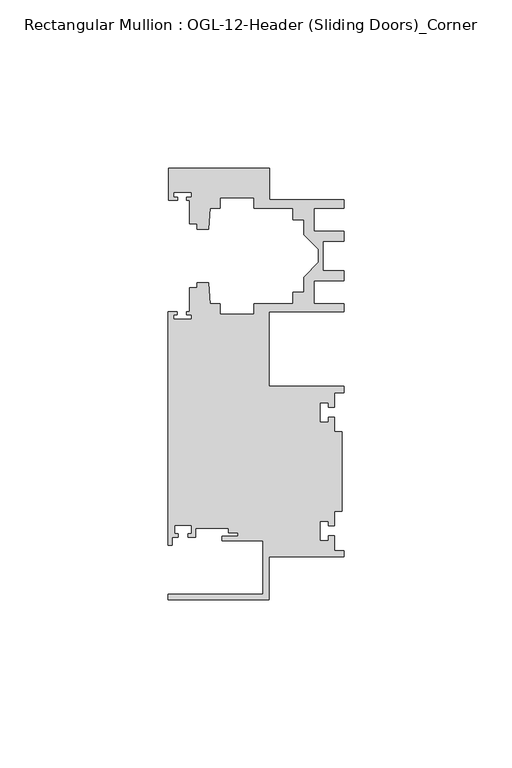
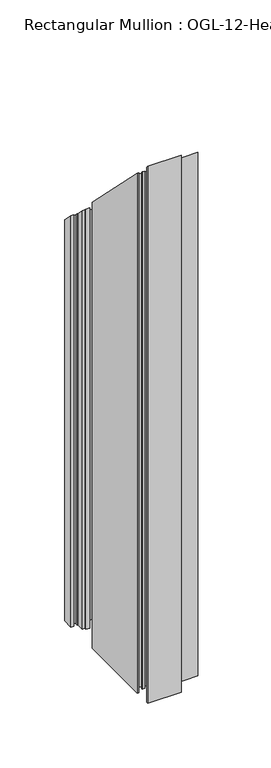
"""IFC4 building model written with IfcOpenShell, lengths in millimetres: member geometry, Rectangular Mullion : OGL-12-Header (Sliding Doors)_Corner."""

from ifc_helpers import new_model, si_unit, origin, place, context, project, spatial, faceted_brep, source, transform, mapped, element, save


def rectangular_mullion_ogl_12_header_sliding_doors_corner_65cd46e0(model_context):
    return source(origin(), model_context, "Body", "Brep", [
        faceted_brep([(0.0, 4.7625, -499.3753122), (-22.2332898, 4.7625, -499.3753122), (-22.2332898, -7.9371792, -499.3753122), (-52.3921824, -7.9371792, -499.3753122), (-52.3921824, -6.350016, -499.3753122), (-24.0747898, -6.350016, -499.3753122), (-24.0747898, 9.5708266, -499.3753122), (-36.2104247, 9.5708266, -499.3753122), (-36.2104247, 10.8618293, -499.3753122), (-31.5444935, 10.8618293, -499.3753122), (-31.5444935, 12.0114739, -499.3753122), (-34.2833684, 12.0114739, -499.3753122), (-34.2833684, 13.2983325, -499.3753122), (-44.1094055, 13.2983325, -499.3753122), (-44.1094055, 10.6800725, -499.3753122), (-46.3304245, 10.6800725, -499.3753122), (-46.3304245, 11.6873375, -499.3753122), (-45.359407, 11.6873375, -499.3753122), (-45.359407, 14.1873325, -499.3753122), (-50.359397, 14.1873325, -499.3753122), (-50.359397, 11.6873375, -499.3753122), (-49.3568347, 11.6873375, -499.3753122), (-49.3568347, 10.6800725, -499.3753122), (-51.1362531, 10.6800725, -499.3753122), (-51.1362531, 8.1914024, -499.3753122), (-52.3921824, 8.1914024, -499.3753122), (-52.3921824, 77.745996, -499.3753122), (-49.5910554, 77.745996, -499.3753122), (-49.5910554, 76.8721046, -499.3753122), (-50.6220715, 76.8721046, -499.3753122), (-50.6220715, 75.4943149, -499.3753122), (-45.3220715, 75.4943149, -499.3753122), (-45.3220715, 76.8721046, -499.3753122), (-46.769305, 76.8721046, -499.3753122), (-46.769305, 77.745996, -499.3753122), (-45.9710366, 77.745996, -499.3753122), (-45.9710366, 84.8247994, -499.3753122), (-43.7582575, 84.8247994, -499.3753122), (-43.7582575, 86.375852, -499.3753122), (-40.3395523, 86.375852, -499.3753122), (-39.7961967, 80.1652691, -499.3753122), (-36.8419772, 80.1652691, -499.3753122), (-36.8419772, 77.000852, -499.3753122), (-26.7462575, 77.000852, -499.3753122), (-26.7462575, 80.175852, -499.3753122), (-15.0768765, 80.175852, -499.3753122), (-15.0768765, 83.575852, -499.3753122), (-11.8582575, 83.575852, -499.3753122), (-11.8582575, 88.0571468, -499.3753122), (-7.4980859, 92.4173184, -499.3753122), (-7.4980859, 96.2965176, -499.3753122), (-11.8582575, 100.6566892, -499.3753122), (-11.8582575, 105.137984, -499.3753122), (-15.0768765, 105.137984, -499.3753122), (-15.0768765, 108.537984, -499.3753122), (-26.7462575, 108.537984, -499.3753122), (-26.7462575, 111.712984, -499.3753122), (-36.8419772, 111.712984, -499.3753122), (-36.8419772, 108.5485669, -499.3753122), (-39.7961967, 108.5485669, -499.3753122), (-40.3395523, 102.337984, -499.3753122), (-43.7582575, 102.337984, -499.3753122), (-43.7582575, 103.9254518, -499.3753122), (-45.9710366, 103.9254518, -499.3753122), (-45.9710366, 110.9050364, -499.3753122), (-46.8181909, 110.9050364, -499.3753122), (-46.8181909, 111.8781466, -499.3753122), (-45.3220715, 111.8781466, -499.3753122), (-45.3220715, 113.2559363, -499.3753122), (-50.6220715, 113.2559363, -499.3753122), (-50.6220715, 111.8781466, -499.3753122), (-49.5692346, 111.8781466, -499.3753122), (-49.5692346, 110.9050364, -499.3753122), (-52.2095715, 110.9050364, -499.3753122), (-52.2095715, 120.4877352, -499.3753122), (-22.2032575, 120.4877352, -499.3753122), (-22.2032575, 111.037984, -499.3753122), (-0.0082575, 111.037984, -499.3753122), (-0.0082575, 108.537984, -499.3753122), (-8.8582575, 108.537984, -499.3753122), (-8.8582575, 101.6950565, -499.3753122), (-0.0082575, 101.6950565, -499.3753122), (-0.0082575, 98.6950565, -499.3753122), (-6.1582575, 98.6950565, -499.3753122), (-6.1582575, 90.0187795, -499.3753122), (-0.0082575, 90.0187795, -499.3753122), (-0.0082575, 87.0187795, -499.3753122), (-8.8582575, 87.0187795, -499.3753122), (-8.8582575, 80.175852, -499.3753122), (-0.0082575, 80.175852, -499.3753122), (-0.0082575, 77.675852, -499.3753122), (-22.2332898, 77.675852, -499.3753122), (-22.2332898, 55.5625, -499.3753122), (0.0, 55.5625, -499.3753122), (0.0, 53.650676, -499.3753122), (-2.740223, 53.650676, -499.3753122), (-2.740223, 49.3020859, -499.3753122), (-4.5407068, 49.3020859, -499.3753122), (-4.5407068, 50.6896706, -499.3753122), (-7.0406862, 50.6896706, -499.3753122), (-7.0406862, 44.9276725, -499.3753122), (-4.5407047, 44.9276725, -499.3753122), (-4.5407047, 46.3230952, -499.3753122), (-2.740223, 46.3230952, -499.3753122), (-2.740223, 41.9666704, -499.3753122), (-0.508, 41.9666704, -499.3753122), (-0.508, 18.3583296, -499.3753122), (-2.740223, 18.3583296, -499.3753122), (-2.740223, 14.0019048, -499.3753122), (-4.5407047, 14.0019048, -499.3753122), (-4.5407047, 15.3973275, -499.3753122), (-7.0406862, 15.3973275, -499.3753122), (-7.0406862, 9.6353294, -499.3753122), (-4.5407068, 9.6353294, -499.3753122), (-4.5407068, 11.0229141, -499.3753122), (-2.740223, 11.0229141, -499.3753122), (-2.740223, 6.674324, -499.3753122), (0.0, 6.674324, -499.3753122), (0.0, 6.674324, -6.674324), (0.0, 4.7625, -4.7625), (-2.740223, 6.674324, -6.674324), (-2.740223, 11.0229141, -11.0229141), (-4.5407068, 11.0229141, -11.0229141), (-4.5407068, 9.6353294, -9.6353294), (-7.0406862, 9.6353294, -9.6353294), (-7.0406862, 15.3973275, -15.3973275), (-4.5407047, 15.3973275, -15.3973275), (-4.5407047, 14.0019048, -14.0019048), (-2.740223, 14.0019048, -14.0019048), (-2.740223, 18.3583296, -18.3583296), (-0.508, 18.3583296, -18.3583296), (-0.508, 41.9666704, -41.9666704), (-2.740223, 41.9666704, -41.9666704), (-2.740223, 46.3230952, -46.3230952), (-4.5407047, 46.3230952, -46.3230952), (-4.5407047, 44.9276725, -44.9276725), (-7.0406862, 44.9276725, -44.9276725), (-7.0406862, 50.6896706, -50.6896706), (-4.5407068, 50.6896706, -50.6896706), (-4.5407068, 49.3020859, -49.3020859), (-2.740223, 49.3020859, -49.3020859), (-2.740223, 53.650676, -53.650676), (0.0, 53.650676, -53.650676), (0.0, 55.5625, -55.5625), (-22.2332898, 55.5625, -55.5625), (-22.2332898, 77.675852, -77.675852), (-0.0082575, 77.675852, -77.675852), (-0.0082575, 80.175852, -80.175852), (-8.8582575, 80.175852, -80.175852), (-8.8582575, 87.0187795, -87.0187795), (-0.0082575, 87.0187795, -87.0187795), (-0.0082575, 90.0187795, -90.0187795), (-6.1582575, 90.0187795, -90.0187795), (-6.1582575, 98.6950565, -98.6950565), (-0.0082575, 98.6950565, -98.6950565), (-0.0082575, 101.6950565, -101.6950565), (-8.8582575, 101.6950565, -101.6950565), (-8.8582575, 108.537984, -108.537984), (-0.0082575, 108.537984, -108.537984), (-0.0082575, 111.037984, -111.037984), (-22.2032575, 111.037984, -111.037984), (-22.2032575, 120.4877352, -120.4877352), (-52.2095715, 120.4877352, -120.4877352), (-52.2095715, 110.9050364, -110.9050364), (-49.5692346, 110.9050364, -110.9050364), (-49.5692346, 111.8781466, -111.8781466), (-50.6220715, 111.8781466, -111.8781466), (-50.6220715, 113.2559363, -113.2559363), (-45.3220715, 113.2559363, -113.2559363), (-45.3220715, 111.8781466, -111.8781466), (-46.8181909, 111.8781466, -111.8781466), (-46.8181909, 110.9050364, -110.9050364), (-45.9710366, 110.9050364, -110.9050364), (-45.9710366, 103.9254518, -103.9254518), (-43.7582575, 103.9254518, -103.9254518), (-43.7582575, 102.337984, -102.337984), (-40.3395523, 102.337984, -102.337984), (-39.7961967, 108.5485669, -108.5485669), (-36.8419772, 108.5485669, -108.5485669), (-36.8419772, 111.712984, -111.712984), (-26.7462575, 111.712984, -111.712984), (-26.7462575, 108.537984, -108.537984), (-15.0768765, 108.537984, -108.537984), (-15.0768765, 105.137984, -105.137984), (-11.8582575, 105.137984, -105.137984), (-11.8582575, 100.6566892, -100.6566892), (-7.4980859, 96.2965176, -96.2965176), (-7.4980859, 92.4173184, -92.4173184), (-11.8582575, 88.0571468, -88.0571468), (-11.8582575, 83.575852, -83.575852), (-15.0768765, 83.575852, -83.575852), (-15.0768765, 80.175852, -80.175852), (-26.7462575, 80.175852, -80.175852), (-26.7462575, 77.000852, -77.000852), (-36.8419772, 77.000852, -77.000852), (-36.8419772, 80.1652691, -80.1652691), (-39.7961967, 80.1652691, -80.1652691), (-40.3395523, 86.375852, -86.375852), (-43.7582575, 86.375852, -86.375852), (-43.7582575, 84.8247994, -84.8247994), (-45.9710366, 84.8247994, -84.8247994), (-45.9710366, 77.745996, -77.745996), (-46.769305, 77.745996, -77.745996), (-46.769305, 76.8721046, -76.8721046), (-45.3220715, 76.8721046, -76.8721046), (-45.3220715, 75.4943149, -75.4943149), (-50.6220715, 75.4943149, -75.4943149), (-50.6220715, 76.8721046, -76.8721046), (-49.5910554, 76.8721046, -76.8721046), (-49.5910554, 77.745996, -77.745996), (-52.3921824, 77.745996, -77.745996), (-52.3921824, 8.1914024, -8.1914024), (-51.1362531, 8.1914024, -8.1914024), (-51.1362531, 10.6800725, -10.6800725), (-49.3568347, 10.6800725, -10.6800725), (-49.3568347, 11.6873375, -11.6873375), (-50.359397, 11.6873375, -11.6873375), (-50.359397, 14.1873325, -14.1873325), (-45.359407, 14.1873325, -14.1873325), (-45.359407, 11.6873375, -11.6873375), (-46.3304245, 11.6873375, -11.6873375), (-46.3304245, 10.6800725, -10.6800725), (-44.1094055, 10.6800725, -10.6800725), (-44.1094055, 13.2983325, -13.2983325), (-34.2833684, 13.2983325, -13.2983325), (-34.2833684, 12.0114739, -12.0114739), (-31.5444935, 12.0114739, -12.0114739), (-31.5444935, 10.8618293, -10.8618293), (-36.2104247, 10.8618293, -10.8618293), (-36.2104247, 9.5708266, -9.5708266), (-24.0747898, 9.5708266, -9.5708266), (-24.0747898, -6.350016, 6.350016), (-52.3921824, -6.350016, 6.350016), (-52.3921824, -7.9371792, 7.9371792), (-22.2332898, -7.9371792, 7.9371792), (-22.2332898, 4.7625, -4.7625)], [[[0, 1, 2, 3, 4, 5, 6, 7, 8, 9, 10, 11, 12, 13, 14, 15, 16, 17, 18, 19, 20, 21, 22, 23, 24, 25, 26, 27, 28, 29, 30, 31, 32, 33, 34, 35, 36, 37, 38, 39, 40, 41, 42, 43, 44, 45, 46, 47, 48, 49, 50, 51, 52, 53, 54, 55, 56, 57, 58, 59, 60, 61, 62, 63, 64, 65, 66, 67, 68, 69, 70, 71, 72, 73, 74, 75, 76, 77, 78, 79, 80, 81, 82, 83, 84, 85, 86, 87, 88, 89, 90, 91, 92, 93, 94, 95, 96, 97, 98, 99, 100, 101, 102, 103, 104, 105, 106, 107, 108, 109, 110, 111, 112, 113, 114, 115, 116, 117]], [[118, 119, 0, 117]], [[120, 118, 117, 116]], [[121, 120, 116, 115]], [[122, 121, 115, 114]], [[123, 122, 114, 113]], [[124, 123, 113, 112]], [[125, 124, 112, 111]], [[126, 125, 111, 110]], [[127, 126, 110, 109]], [[128, 127, 109, 108]], [[129, 128, 108, 107]], [[130, 129, 107, 106]], [[131, 130, 106, 105]], [[132, 131, 105, 104]], [[133, 132, 104, 103]], [[134, 133, 103, 102]], [[135, 134, 102, 101]], [[136, 135, 101, 100]], [[137, 136, 100, 99]], [[138, 137, 99, 98]], [[139, 138, 98, 97]], [[140, 139, 97, 96]], [[141, 140, 96, 95]], [[142, 141, 95, 94]], [[143, 142, 94, 93]], [[144, 143, 93, 92]], [[145, 144, 92, 91]], [[146, 145, 91, 90]], [[147, 146, 90, 89]], [[148, 147, 89, 88]], [[149, 148, 88, 87]], [[150, 149, 87, 86]], [[151, 150, 86, 85]], [[152, 151, 85, 84]], [[153, 152, 84, 83]], [[154, 153, 83, 82]], [[155, 154, 82, 81]], [[156, 155, 81, 80]], [[157, 156, 80, 79]], [[158, 157, 79, 78]], [[159, 158, 78, 77]], [[160, 159, 77, 76]], [[161, 160, 76, 75]], [[162, 161, 75, 74]], [[163, 162, 74, 73]], [[164, 163, 73, 72]], [[165, 164, 72, 71]], [[166, 165, 71, 70]], [[167, 166, 70, 69]], [[168, 167, 69, 68]], [[169, 168, 68, 67]], [[170, 169, 67, 66]], [[171, 170, 66, 65]], [[172, 171, 65, 64]], [[173, 172, 64, 63]], [[174, 173, 63, 62]], [[175, 174, 62, 61]], [[176, 175, 61, 60]], [[177, 176, 60, 59]], [[178, 177, 59, 58]], [[179, 178, 58, 57]], [[180, 179, 57, 56]], [[181, 180, 56, 55]], [[182, 181, 55, 54]], [[183, 182, 54, 53]], [[184, 183, 53, 52]], [[185, 184, 52, 51]], [[186, 185, 51, 50]], [[187, 186, 50, 49]], [[188, 187, 49, 48]], [[189, 188, 48, 47]], [[190, 189, 47, 46]], [[191, 190, 46, 45]], [[192, 191, 45, 44]], [[193, 192, 44, 43]], [[194, 193, 43, 42]], [[195, 194, 42, 41]], [[196, 195, 41, 40]], [[197, 196, 40, 39]], [[198, 197, 39, 38]], [[199, 198, 38, 37]], [[200, 199, 37, 36]], [[201, 200, 36, 35]], [[202, 201, 35, 34]], [[203, 202, 34, 33]], [[204, 203, 33, 32]], [[205, 204, 32, 31]], [[206, 205, 31, 30]], [[207, 206, 30, 29]], [[208, 207, 29, 28]], [[209, 208, 28, 27]], [[210, 209, 27, 26]], [[211, 210, 26, 25]], [[212, 211, 25, 24]], [[213, 212, 24, 23]], [[214, 213, 23, 22]], [[215, 214, 22, 21]], [[216, 215, 21, 20]], [[217, 216, 20, 19]], [[218, 217, 19, 18]], [[219, 218, 18, 17]], [[220, 219, 17, 16]], [[221, 220, 16, 15]], [[222, 221, 15, 14]], [[223, 222, 14, 13]], [[224, 223, 13, 12]], [[225, 224, 12, 11]], [[226, 225, 11, 10]], [[227, 226, 10, 9]], [[228, 227, 9, 8]], [[229, 228, 8, 7]], [[230, 229, 7, 6]], [[231, 230, 6, 5]], [[232, 231, 5, 4]], [[233, 232, 4, 3]], [[234, 233, 3, 2]], [[235, 234, 2, 1]], [[119, 235, 1, 0]], [[119, 118, 120, 121, 122, 123, 124, 125, 126, 127, 128, 129, 130, 131, 132, 133, 134, 135, 136, 137, 138, 139, 140, 141, 142, 143, 144, 145, 146, 147, 148, 149, 150, 151, 152, 153, 154, 155, 156, 157, 158, 159, 160, 161, 162, 163, 164, 165, 166, 167, 168, 169, 170, 171, 172, 173, 174, 175, 176, 177, 178, 179, 180, 181, 182, 183, 184, 185, 186, 187, 188, 189, 190, 191, 192, 193, 194, 195, 196, 197, 198, 199, 200, 201, 202, 203, 204, 205, 206, 207, 208, 209, 210, 211, 212, 213, 214, 215, 216, 217, 218, 219, 220, 221, 222, 223, 224, 225, 226, 227, 228, 229, 230, 231, 232, 233, 234, 235]]]),
    ])


if __name__ == "__main__":
    model = new_model("IFC4")
    model_context = context("Model", 3, world=origin())
    ifc_project = project(units=[si_unit("LENGTHUNIT", "METRE", prefix="MILLI")], contexts=[model_context])
    site = spatial("IfcSite", under=ifc_project)
    building = spatial("IfcBuilding", under=site)
    placement = place(None, origin())
    rectangular_mullion_ogl_12_header_sliding_doors_corner_shape = rectangular_mullion_ogl_12_header_sliding_doors_corner_65cd46e0(model_context)
    element("IfcMember", 1, ObjectType="Rectangular Mullion : OGL-12-Header (Sliding Doors)_Corner", at=placement, inside=building, context=model_context, shape_type="MappedRepresentation", body=[
        mapped(rectangular_mullion_ogl_12_header_sliding_doors_corner_shape, transform((0.0, 0.0, 0.0), x_axis=(1.0, 0.0, 0.0), y_axis=(0.0, 1.0, 0.0), z_axis=(0.0, 0.0, 1.0))),
    ])
    save(model, "model.ifc")
